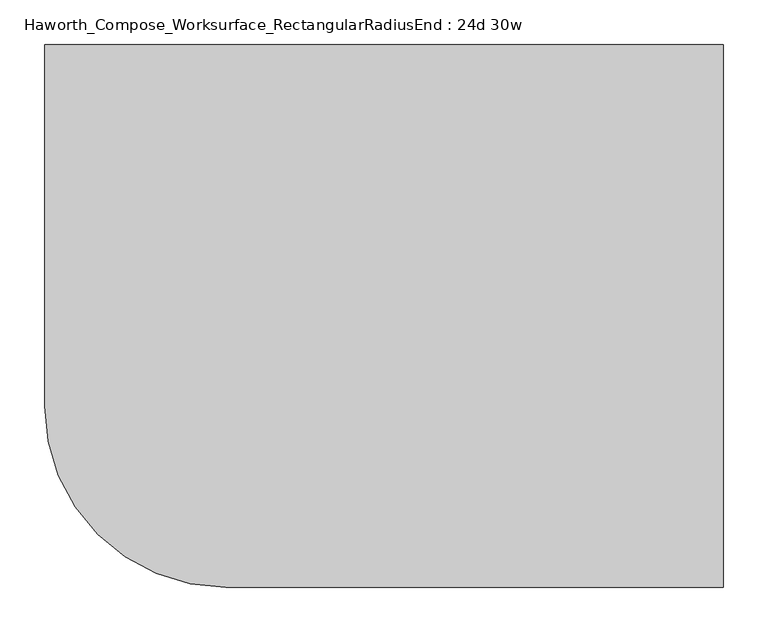
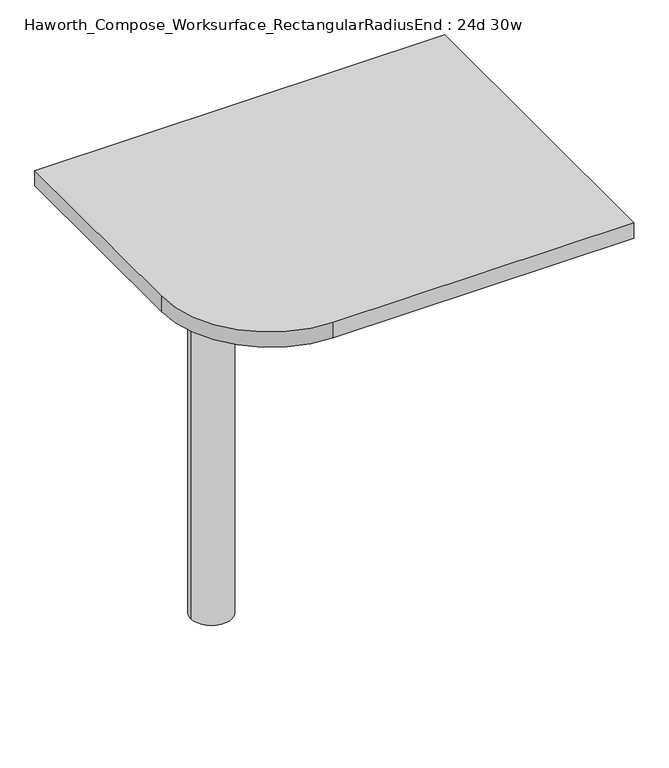
"""IFC4 building model written with IfcOpenShell, lengths in millimetres: furniture geometry, Haworth_Compose_Worksurface_RectangularRadiusEnd : 24d 30w."""

from ifc_helpers import new_model, si_unit, point, frame, frame_2d, origin, place, context, project, spatial, polyline, circle_curve, trimmed, segment, composite_curve, outline, extrude, source, transform, mapped, element, save
from ifc_brep_helpers import plane_surface, cylinder_surface, revolved_surface, advanced_brep


def haworth_compose_worksurface_rectangularradiusend_24d_30w_d82d3a32(model_context):
    return source(origin(), model_context, "Body", "SolidModel", [
        advanced_brep(
        [(375.44375, 304.8, 475.45625), (375.44375, 288.925, 475.45625), (375.44375, -101.6, 691.7192568), (375.44375, -101.6, 704.05625), (375.44375, 288.925, 704.05625), (375.44375, 304.8, 704.05625), (375.44375, 221.490072, 665.95625), (375.44375, 177.8355284, 665.95625), (375.44375, 175.1564235, 656.3705539), (375.44375, 266.8776173, 605.5776439), (375.44375, 276.225, 611.1756969), (375.44375, 276.225, 634.6860246), (375.44375, 274.4730055, 637.5242776), (375.44375, 224.5663437, 665.1613425), (377.825, 304.8, 475.45625), (377.825, 304.8, 704.05625), (377.825, 288.925, 704.05625), (377.825, 288.925, 706.4375), (377.825, -101.6, 706.4375), (377.825, -101.6, 691.7192568), (377.825, 288.925, 475.45625), (377.825, 221.490072, 665.95625), (377.825, 224.5663437, 665.1613425), (377.825, 274.4730055, 637.5242776), (377.825, 276.225, 634.6860246), (377.825, 276.225, 611.1756969), (377.825, 266.8776173, 605.5776439), (377.825, 175.1564235, 656.3705539), (377.825, 177.8355284, 665.95625), (336.55, -101.6, 706.4375), (336.55, -101.6, 704.05625), (336.55, 288.925, 704.05625), (336.55, 288.925, 706.4375)],
        [
            (0, 1),
            (1, 2),
            (2, 3),
            (3, 4),
            (4, 5),
            (5, 0),
            (6, 7),
            (7, 8, circle_curve(frame((375.44375, 177.8355284, 660.7890106), z_axis=(1.0, 0.0, 0.0), x_axis=(0.0, -1.0, 0.0)), 5.1672394)),
            (8, 9),
            (9, 10, circle_curve(frame((375.44375, 269.875, 611.1756969), z_axis=(1.0, 0.0, 0.0), x_axis=(0.0, -1.0, 0.0)), 6.35)),
            (10, 11),
            (11, 12, circle_curve(frame((375.44375, 273.05, 634.6860246), z_axis=(1.0, 0.0, 0.0), x_axis=(0.0, -1.0, 0.0)), 3.175)),
            (12, 13),
            (13, 6, circle_curve(frame((375.44375, 221.490072, 659.60625), z_axis=(1.0, 0.0, 0.0), x_axis=(0.0, -1.0, 0.0)), 6.35)),
            (14, 15),
            (15, 16),
            (16, 17),
            (17, 18),
            (18, 19),
            (19, 20),
            (20, 14),
            (21, 22, circle_curve(frame((377.825, 221.490072, 659.60625), z_axis=(-1.0, 0.0, 0.0), x_axis=(0.0, -1.0, 0.0)), 6.35)),
            (22, 23),
            (23, 24, circle_curve(frame((377.825, 273.05, 634.6860246), z_axis=(-1.0, 0.0, 0.0), x_axis=(0.0, -1.0, 0.0)), 3.175)),
            (24, 25),
            (25, 26, circle_curve(frame((377.825, 269.875, 611.1756969), z_axis=(-1.0, 0.0, 0.0), x_axis=(0.0, -1.0, 0.0)), 6.35)),
            (26, 27),
            (27, 28, circle_curve(frame((377.825, 177.8355284, 660.7890106), z_axis=(-1.0, 0.0, 0.0), x_axis=(0.0, -1.0, 0.0)), 5.1672394)),
            (28, 21),
            (4, 16),
            (15, 5),
            (14, 0),
            (20, 1),
            (19, 2),
            (18, 29),
            (29, 30),
            (30, 3),
            (6, 21),
            (28, 7),
            (9, 26),
            (25, 10),
            (24, 11),
            (23, 12),
            (27, 8),
            (31, 4),
            (30, 31),
            (32, 29),
            (17, 32),
            (31, 32),
            (22, 13),
        ],
        [
            plane_surface(frame((375.44375, 304.8, 475.45625), z_axis=(-1.0, 0.0, 0.0), x_axis=(0.0, 1.0, 0.0))),
            plane_surface(frame((377.825, 304.8, 475.45625), z_axis=(1.0, 0.0, 0.0), x_axis=(0.0, -1.0, 0.0))),
            plane_surface(frame((377.825, -101.6, 704.05625), z_axis=(0.0, 0.0, 1.0), x_axis=(-1.0, 0.0, 0.0))),
            plane_surface(frame((377.825, 304.8, 704.05625), z_axis=(0.0, 1.0, 0.0), x_axis=(-1.0, 0.0, 0.0))),
            plane_surface(frame((377.825, 304.8, 475.45625), z_axis=(0.0, 0.0, -1.0), x_axis=(-1.0, 0.0, 0.0))),
            plane_surface(frame((377.825, 288.925, 475.45625), z_axis=(0.0, -0.48445223513455843, -0.8748177135112952), x_axis=(-1.0, 0.0, 0.0))),
            plane_surface(frame((377.825, -101.6, 691.7192568), z_axis=(0.0, -1.0, 0.0), x_axis=(-1.0, 0.0, 0.0))),
            plane_surface(frame((377.825, 221.490072, 665.95625), z_axis=(0.0, 0.0, -1.0), x_axis=(-1.0, 0.0, 0.0))),
            revolved_surface(polyline([(375.44375, 263.525, 611.1756969), (377.825, 263.525, 611.1756969)]), (377.825, 269.875, 611.1756969), (-1.0, 0.0, 0.0)),
            plane_surface(frame((377.825, 276.225, 611.1756969), z_axis=(0.0, -1.0, 0.0), x_axis=(-1.0, 0.0, 0.0))),
            revolved_surface(polyline([(375.44375, 269.875, 634.6860246), (377.825, 269.875, 634.6860246)]), (377.825, 273.05, 634.6860246), (-1.0, 0.0, 0.0)),
            revolved_surface(polyline([(375.44375, 172.668289, 660.7890106), (377.825, 172.668289, 660.7890106)]), (377.825, 177.8355284, 660.7890106), (-1.0, 0.0, 0.0)),
            plane_surface(frame((377.825, 288.925, 704.05625), z_axis=(0.0, 0.0, -1.0), x_axis=(-1.0, 0.0, 0.0))),
            plane_surface(frame((377.825, 288.925, 706.4375), z_axis=(0.0, 0.0, 1.0), x_axis=(1.0, 0.0, 0.0))),
            plane_surface(frame((336.55, 288.925, 706.4375), z_axis=(0.0, 1.0, 0.0), x_axis=(0.0, 0.0, -1.0))),
            plane_surface(frame((336.55, -101.6, 706.4375), z_axis=(-1.0, 0.0, 0.0), x_axis=(0.0, 0.0, -1.0))),
            plane_surface(frame((377.825, 175.1564235, 656.3705539), z_axis=(0.0, 0.4844522351345583, 0.8748177135112953), x_axis=(-1.0, 0.0, 0.0))),
            plane_surface(frame((377.825, 274.4730055, 637.5242776), z_axis=(0.0, -0.4844522351345582, -0.8748177135112953), x_axis=(-1.0, 0.0, 0.0))),
            revolved_surface(polyline([(375.44375, 215.140072, 659.60625), (377.825, 215.140072, 659.60625)]), (377.825, 221.490072, 659.60625), (-1.0, 0.0, 0.0)),
        ],
        [
            (0, [[1, 2, 3, 4, 5, 6], [7, 8, 9, 10, 11, 12, 13, 14]]),
            (1, [[15, 16, 17, 18, 19, 20, 21], [22, 23, 24, 25, 26, 27, 28, 29]]),
            (2, [[-5, 30, -16, 31]]),
            (3, [[-31, -15, 32, -6]]),
            (4, [[-32, -21, 33, -1]]),
            (5, [[-33, -20, 34, -2]]),
            (6, [[-34, -19, 35, 36, 37, -3]]),
            (7, [[38, -29, 39, -7]]),
            (8, [[40, -26, 41, -10]]),
            (9, [[-41, -25, 42, -11]]),
            (10, [[-42, -24, 43, -12]]),
            (11, [[-39, -28, 44, -8]]),
            (12, [[45, -4, -37, 46]]),
            (13, [[47, -35, -18, 48]]),
            (14, [[-17, -30, -45, 49, -48]]),
            (15, [[-36, -47, -49, -46]]),
            (16, [[-44, -27, -40, -9]]),
            (17, [[-43, -23, 50, -13]]),
            (18, [[-50, -22, -38, -14]]),
        ],
    ),
        advanced_brep(
        [(-190.5, 0.0, 706.4375), (-266.7, 0.0, 706.4375), (-228.6, 0.0, 706.4375), (-190.5, 0.0, 0.0), (-266.7, 0.0, 0.0), (-228.6, 0.0, 0.0)],
        [
            (0, 1, circle_curve(frame((-228.6, 0.0, 706.4375), z_axis=(0.0, 0.0, 1.0), x_axis=(-1.0, 0.0, 0.0)), 38.1)),
            (1, 2),
            (2, 0),
            (1, 0, circle_curve(frame((-228.6, 0.0, 706.4375), z_axis=(0.0, 0.0, 1.0), x_axis=(-1.0, 0.0, 0.0)), 38.1)),
            (3, 4, circle_curve(frame((-228.6, 0.0, 0.0), z_axis=(0.0, 0.0, 1.0), x_axis=(-1.0, 0.0, 0.0)), 38.1)),
            (4, 1),
            (0, 3),
            (4, 3, circle_curve(frame((-228.6, 0.0, 0.0), z_axis=(0.0, 0.0, 1.0), x_axis=(-1.0, 0.0, 0.0)), 38.1)),
            (5, 4),
            (3, 5),
        ],
        [
            plane_surface(frame((-228.6, 0.0, 706.4375), z_axis=(0.0, 0.0, 1.0), x_axis=(-1.0, 0.0, 0.0))),
            cylinder_surface(frame((-228.6, 0.0, 889.623257), z_axis=(0.0, 0.0, -1.0), x_axis=(-1.0, 0.0, 0.0)), 38.1),
            plane_surface(frame((-228.6, 0.0, 0.0), z_axis=(0.0, 0.0, -1.0), x_axis=(-1.0, 0.0, 0.0))),
        ],
        [
            (0, [[1, 2, 3]]),
            (0, [[4, -3, -2]]),
            (1, [[5, 6, -1, 7]]),
            (1, [[8, -7, -4, -6]]),
            (2, [[9, -5, 10]]),
            (2, [[-10, -8, -9]]),
        ],
    ),
        extrude(outline(composite_curve([segment(polyline([(381.0, 304.8), (381.0, -304.8), (-177.8, -304.8)]), True, "CONTINUOUS"), segment(trimmed(circle_curve(frame_2d((-177.8, -101.6)), 203.2), [point((-177.8, -304.8))], [point((-381.0, -101.6))], False, "CARTESIAN"), True, "CONTINUOUS"), segment(polyline([(-381.0, -101.6), (-381.0, 304.8), (381.0, 304.8)]), True, "CONTINUOUS")], self_intersect=False)), frame((0.0, 0.0, 706.4375), z_axis=(0.0, 0.0, 1.0), x_axis=(1.0, 0.0, 0.0)), (0.0, 0.0, 1.0), 30.1625),
    ])


if __name__ == "__main__":
    model = new_model("IFC4")
    model_context = context("Model", 3, world=origin())
    ifc_project = project(units=[si_unit("LENGTHUNIT", "METRE", prefix="MILLI")], contexts=[model_context])
    site = spatial("IfcSite", under=ifc_project)
    building = spatial("IfcBuilding", under=site)
    placement = place(None, origin())
    haworth_compose_worksurface_rectangularradiusend_24d_30w_shape = haworth_compose_worksurface_rectangularradiusend_24d_30w_d82d3a32(model_context)
    element("IfcFurniture", 1, ObjectType="Haworth_Compose_Worksurface_RectangularRadiusEnd : 24d 30w", at=placement, inside=building, context=model_context, shape_type="MappedRepresentation", body=[
        mapped(haworth_compose_worksurface_rectangularradiusend_24d_30w_shape, transform((0.0, 0.0, 0.0), x_axis=(1.0, 0.0, 0.0), y_axis=(0.0, 1.0, 0.0), z_axis=(0.0, 0.0, 1.0))),
    ])
    save(model, "model.ifc")
